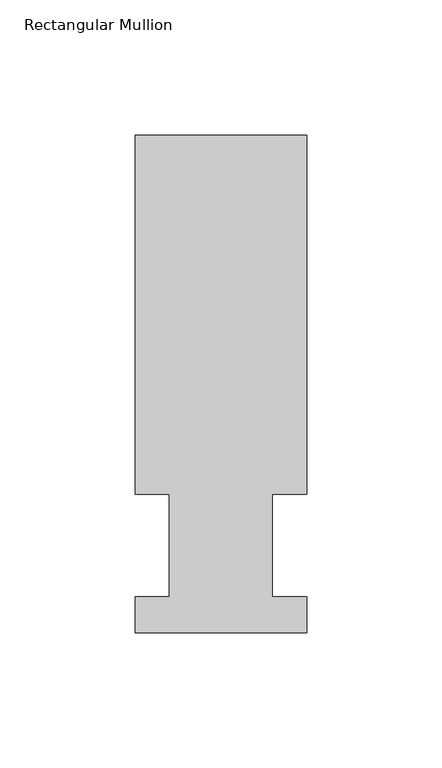
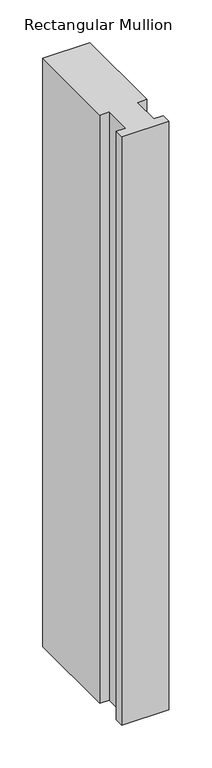
"""IFC4 building model written with IfcOpenShell, lengths in millimetres: member geometry, Rectangular Mullion."""

from ifc_helpers import new_model, si_unit, frame, origin, place, context, project, spatial, polyline, outline, extrude, source, transform, mapped, element, save


def rectangular_mullion_f731f150(model_context):
    return source(origin(), model_context, "Body", "SweptSolid", [
        extrude(outline(polyline([(-31.7499996, 184.2396938), (31.75, 184.2396938), (31.75, 51.2960938), (19.0499996, 51.2960937), (19.0499996, 13.1960938), (31.75, 13.1960938), (31.75, 0.0134938), (-31.75, 0.0134938), (-31.75, 13.1960938), (-19.0499996, 13.1960938), (-19.0499996, 51.2960937), (-31.7499996, 51.2960937), (-31.7499996, 184.2396938)])), frame((0.0, 0.0, -838.1999996), z_axis=(0.0, 0.0, 1.0), x_axis=(1.0, 0.0, 0.0)), (0.0, 0.0, 1.0), 838.1999996),
    ])


if __name__ == "__main__":
    model = new_model("IFC4")
    model_context = context("Model", 3, world=origin())
    ifc_project = project(units=[si_unit("LENGTHUNIT", "METRE", prefix="MILLI")], contexts=[model_context])
    site = spatial("IfcSite", under=ifc_project)
    building = spatial("IfcBuilding", under=site)
    placement = place(None, origin())
    rectangular_mullion_shape = rectangular_mullion_f731f150(model_context)
    element("IfcMember", 1, ObjectType="Rectangular Mullion", at=placement, inside=building, context=model_context, shape_type="MappedRepresentation", body=[
        mapped(rectangular_mullion_shape, transform((0.0, 0.0, 0.0), x_axis=(1.0, 0.0, 0.0), y_axis=(0.0, 1.0, 0.0), z_axis=(0.0, 0.0, 1.0))),
    ])
    save(model, "model.ifc")
